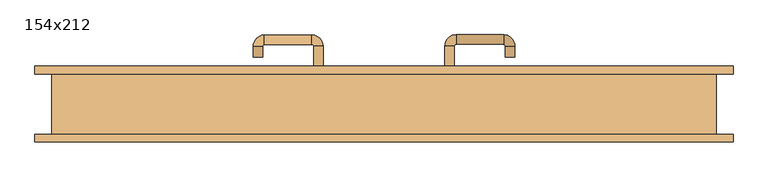
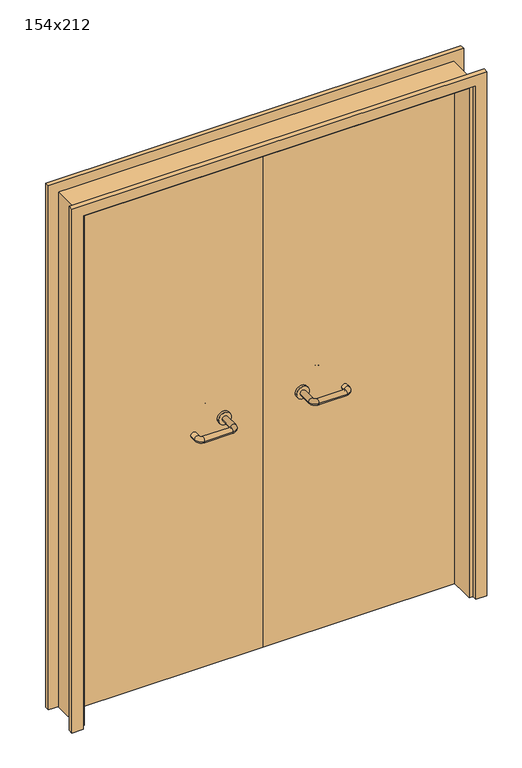
"""IFC4 building model written with IfcOpenShell, lengths in millimetres: door geometry, 154x212."""

from ifc_helpers import new_model, si_unit, point, frame, frame_2d, origin, place, context, project, spatial, polyline, circle_curve, ellipse_curve, trimmed, segment, composite_curve, outline, extrude, source, transform, mapped, element, save
from ifc_brep_helpers import plane_surface, cylinder_surface, revolved_surface, advanced_brep


def door_154x212_c8903aa3(model_context):
    return source(origin(), model_context, "Body", "SolidModel", [
        extrude(outline(polyline([(2159.0, 809.0), (2159.0, -809.0), (0.0, -809.0), (0.0, -765.0), (2115.0, -765.0), (2115.0, 765.0), (0.0, 765.0), (0.0, 809.0), (2159.0, 809.0)])), frame((0.0, 70.0, 0.0), z_axis=(0.0, 1.0, 0.0), x_axis=(0.0, 0.0, 1.0)), (0.0, 0.0, 1.0), 18.0),
        extrude(outline(polyline([(2159.0, -809.0), (0.0, -809.0), (0.0, -765.0), (2115.0, -765.0), (2115.0, 765.0), (0.0, 765.0), (0.0, 809.0), (2159.0, 809.0), (2159.0, -809.0)])), frame((0.0, -88.0, 0.0), z_axis=(0.0, 1.0, 0.0), x_axis=(0.0, 0.0, 1.0)), (0.0, 0.0, 1.0), 18.0),
        extrude(outline(polyline([(2120.0, -770.0), (0.0, -770.0), (0.0, -750.0), (2100.0, -750.0), (2100.0, 750.0), (0.0, 750.0), (0.0, 770.0), (2120.0, 770.0), (2120.0, -770.0)])), frame((0.0, -69.0, 0.0), z_axis=(0.0, 1.0, 0.0), x_axis=(0.0, 0.0, 1.0)), (0.0, 0.0, 1.0), 139.0),
        advanced_brep(
        [(140.99898, 16.0, 1003.0), (162.99898, 16.0, 1003.0), (140.99898, -39.3525369, 1003.0), (162.99898, -39.3525369, 1003.0), (166.99898, -43.3525369, 1003.0), (166.99898, -65.3525369, 1003.0), (276.99898, -65.3525369, 1003.0), (276.99898, -43.3525369, 1003.0), (280.99898, -39.3525369, 1003.0), (302.99898, -39.3525369, 1003.0), (302.99898, -22.0, 1003.0), (280.99898, -22.0, 1003.0)],
        [
            (0, 1, circle_curve(frame((151.99898, 16.0, 1003.0), z_axis=(0.0, 1.0, 0.0), x_axis=(1.0, 0.0, 0.0)), 11.0)),
            (1, 0, circle_curve(frame((151.99898, 16.0, 1003.0), z_axis=(0.0, 1.0, 0.0), x_axis=(1.0, 0.0, 0.0)), 11.0)),
            (0, 2),
            (2, 3, circle_curve(frame((151.99898, -39.3525369, 1003.0), z_axis=(0.0, 1.0, 0.0), x_axis=(1.0, 0.0, 0.0)), 11.0)),
            (3, 1),
            (3, 2, circle_curve(frame((151.99898, -39.3525369, 1003.0), z_axis=(0.0, 1.0, 0.0), x_axis=(1.0, 0.0, 0.0)), 11.0)),
            (4, 3, circle_curve(frame((166.99898, -39.3525369, 1003.0), z_axis=(0.0, 0.0, -1.0), x_axis=(-1.0, 0.0, 0.0)), 4.0)),
            (2, 5, circle_curve(frame((166.99898, -39.3525369, 1003.0), z_axis=(0.0, 0.0, 1.0), x_axis=(-1.0, 0.0, 0.0)), 26.0)),
            (5, 4, circle_curve(frame((166.99898, -54.3525369, 1003.0), z_axis=(-1.0, 0.0, 0.0), x_axis=(0.0, 1.0, 0.0)), 11.0)),
            (4, 5, circle_curve(frame((166.99898, -54.3525369, 1003.0), z_axis=(-1.0, 0.0, 0.0), x_axis=(0.0, 1.0, 0.0)), 11.0)),
            (5, 6),
            (6, 7, circle_curve(frame((276.99898, -54.3525369, 1003.0), z_axis=(-1.0, 0.0, 0.0), x_axis=(0.0, 1.0, 0.0)), 11.0)),
            (7, 4),
            (7, 6, circle_curve(frame((276.99898, -54.3525369, 1003.0), z_axis=(-1.0, 0.0, 0.0), x_axis=(0.0, 1.0, 0.0)), 11.0)),
            (8, 7, circle_curve(frame((276.99898, -39.3525369, 1003.0), z_axis=(0.0, 0.0, -1.0), x_axis=(0.0, -1.0, 0.0)), 4.0)),
            (6, 9, circle_curve(frame((276.99898, -39.3525369, 1003.0), z_axis=(0.0, 0.0, 1.0), x_axis=(0.0, -1.0, 0.0)), 26.0)),
            (9, 8, circle_curve(frame((291.99898, -39.3525369, 1003.0), z_axis=(0.0, -1.0, 0.0), x_axis=(-1.0, 0.0, 0.0)), 11.0)),
            (8, 9, circle_curve(frame((291.99898, -39.3525369, 1003.0), z_axis=(0.0, -1.0, 0.0), x_axis=(-1.0, 0.0, 0.0)), 11.0)),
            (10, 11, circle_curve(frame((291.99898, -22.0, 1003.0), z_axis=(0.0, 1.0, 0.0), x_axis=(-1.0, 0.0, 0.0)), 11.0)),
            (11, 10, circle_curve(frame((291.99898, -22.0, 1003.0), z_axis=(0.0, 1.0, 0.0), x_axis=(-1.0, 0.0, 0.0)), 11.0)),
            (9, 10),
            (11, 8),
        ],
        [
            plane_surface(frame((140.99898, 16.0, 1003.0), z_axis=(0.0, 1.0, 0.0), x_axis=(0.0, 0.0, -1.0))),
            cylinder_surface(frame((151.99898, 16.0, 1003.0), z_axis=(0.0, 1.0, 0.0), x_axis=(1.0, 0.0, 0.0)), 11.0),
            revolved_surface(trimmed(ellipse_curve(frame((151.99898, -39.3525369, 1003.0), z_axis=(0.0, 1.0, 0.0), x_axis=(1.0, 0.0, 0.0)), 11.0, 11.0), [point((140.99898, -39.3525369, 1003.0))], [point((162.99898, -39.3525369, 1003.0))], True, "CARTESIAN"), (166.99898, -39.3525369, 1003.0), (0.0, 0.0, 1.0)),
            revolved_surface(trimmed(ellipse_curve(frame((151.99898, -39.3525369, 1003.0), z_axis=(0.0, 1.0, 0.0), x_axis=(1.0, 0.0, 0.0)), 11.0, 11.0), [point((162.99898, -39.3525369, 1003.0))], [point((140.99898, -39.3525369, 1003.0))], True, "CARTESIAN"), (166.99898, -39.3525369, 1003.0), (0.0, 0.0, 1.0)),
            cylinder_surface(frame((166.99898, -54.3525369, 1003.0), z_axis=(-1.0, 0.0, 0.0), x_axis=(0.0, 1.0, 0.0)), 11.0),
            revolved_surface(trimmed(ellipse_curve(frame((276.99898, -54.3525369, 1003.0), z_axis=(-1.0, 0.0, 0.0), x_axis=(0.0, 1.0, 0.0)), 11.0, 11.0), [point((276.99898, -65.3525369, 1003.0))], [point((276.99898, -43.3525369, 1003.0))], True, "CARTESIAN"), (276.99898, -39.3525369, 1003.0), (0.0, 0.0, 1.0)),
            revolved_surface(trimmed(ellipse_curve(frame((276.99898, -54.3525369, 1003.0), z_axis=(-1.0, 0.0, 0.0), x_axis=(0.0, 1.0, 0.0)), 11.0, 11.0), [point((276.99898, -43.3525369, 1003.0))], [point((276.99898, -65.3525369, 1003.0))], True, "CARTESIAN"), (276.99898, -39.3525369, 1003.0), (0.0, 0.0, 1.0)),
            plane_surface(frame((280.99898, -22.0, 1003.0), z_axis=(0.0, 1.0, 0.0), x_axis=(0.0, 0.0, 1.0))),
            cylinder_surface(frame((291.99898, -39.3525369, 1003.0), z_axis=(0.0, -1.0, 0.0), x_axis=(-1.0, 0.0, 0.0)), 11.0),
        ],
        [
            (0, [[1, 2]]),
            (1, [[-1, 3, 4, 5]]),
            (1, [[-2, -5, 6, -3]]),
            (2, [[7, -4, 8, 9]]),
            (3, [[-8, -6, -7, 10]]),
            (4, [[-9, 11, 12, 13]]),
            (4, [[-10, -13, 14, -11]]),
            (5, [[15, -12, 16, 17]]),
            (6, [[-16, -14, -15, 18]]),
            (7, [[19, 20]]),
            (8, [[-17, 21, -20, 22]]),
            (8, [[-18, -22, -19, -21]]),
        ],
    ),
        extrude(outline(composite_curve([segment(trimmed(circle_curve(frame_2d((1003.0, 151.99898)), 25.0), [point((1003.0, 126.99898))], [point((1003.0, 176.99898))], False, "CARTESIAN"), True, "CONTINUOUS"), segment(trimmed(circle_curve(frame_2d((1003.0, 151.99898)), 25.0), [point((1003.0, 176.99898))], [point((1003.0, 126.99898))], False, "CARTESIAN"), True, "CONTINUOUS")], self_intersect=False)), frame((0.0, 16.0, 0.0), z_axis=(0.0, 1.0, 0.0), x_axis=(0.0, 0.0, 1.0)), (0.0, 0.0, 1.0), 10.0),
        advanced_brep(
        [(162.99898, 80.0, 1003.0), (140.99898, 80.0, 1003.0), (162.99898, 135.0, 1003.0), (140.99898, 135.0, 1003.0), (166.99898, 161.0, 1003.0), (166.99898, 139.0, 1003.0), (276.99898, 139.0, 1003.0), (276.99898, 161.0, 1003.0), (302.99898, 135.0, 1003.0), (280.99898, 135.0, 1003.0), (280.99898, 110.0, 1003.0), (302.99898, 110.0, 1003.0)],
        [
            (0, 1, circle_curve(frame((151.99898, 80.0, 1003.0), z_axis=(0.0, -1.0, 0.0), x_axis=(-1.0, 0.0, 0.0)), 11.0)),
            (1, 0, circle_curve(frame((151.99898, 80.0, 1003.0), z_axis=(0.0, -1.0, 0.0), x_axis=(-1.0, 0.0, 0.0)), 11.0)),
            (0, 2),
            (2, 3, circle_curve(frame((151.99898, 135.0, 1003.0), z_axis=(0.0, -1.0, 0.0), x_axis=(-1.0, 0.0, 0.0)), 11.0)),
            (3, 1),
            (3, 2, circle_curve(frame((151.99898, 135.0, 1003.0), z_axis=(0.0, -1.0, 0.0), x_axis=(-1.0, 0.0, 0.0)), 11.0)),
            (4, 3, circle_curve(frame((166.99898, 135.0, 1003.0), z_axis=(0.0, 0.0, 1.0), x_axis=(-1.0, 0.0, 0.0)), 26.0)),
            (2, 5, circle_curve(frame((166.99898, 135.0, 1003.0), z_axis=(0.0, 0.0, -1.0), x_axis=(-1.0, 0.0, 0.0)), 4.0)),
            (5, 4, circle_curve(frame((166.99898, 150.0, 1003.0), z_axis=(-1.0, 0.0, 0.0), x_axis=(0.0, 1.0, 0.0)), 11.0)),
            (4, 5, circle_curve(frame((166.99898, 150.0, 1003.0), z_axis=(-1.0, 0.0, 0.0), x_axis=(0.0, 1.0, 0.0)), 11.0)),
            (5, 6),
            (6, 7, circle_curve(frame((276.99898, 150.0, 1003.0), z_axis=(-1.0, 0.0, 0.0), x_axis=(0.0, 1.0, 0.0)), 11.0)),
            (7, 4),
            (7, 6, circle_curve(frame((276.99898, 150.0, 1003.0), z_axis=(-1.0, 0.0, 0.0), x_axis=(0.0, 1.0, 0.0)), 11.0)),
            (8, 7, circle_curve(frame((276.99898, 135.0, 1003.0), z_axis=(0.0, 0.0, 1.0), x_axis=(0.0, 1.0, 0.0)), 26.0)),
            (6, 9, circle_curve(frame((276.99898, 135.0, 1003.0), z_axis=(0.0, 0.0, -1.0), x_axis=(0.0, 1.0, 0.0)), 4.0)),
            (9, 8, circle_curve(frame((291.99898, 135.0, 1003.0), z_axis=(0.0, 1.0, 0.0), x_axis=(1.0, 0.0, 0.0)), 11.0)),
            (8, 9, circle_curve(frame((291.99898, 135.0, 1003.0), z_axis=(0.0, 1.0, 0.0), x_axis=(1.0, 0.0, 0.0)), 11.0)),
            (10, 11, circle_curve(frame((291.99898, 110.0, 1003.0), z_axis=(0.0, -1.0, 0.0), x_axis=(1.0, 0.0, 0.0)), 11.0)),
            (11, 10, circle_curve(frame((291.99898, 110.0, 1003.0), z_axis=(0.0, -1.0, 0.0), x_axis=(1.0, 0.0, 0.0)), 11.0)),
            (9, 10),
            (11, 8),
        ],
        [
            plane_surface(frame((140.99898, 80.0, 1003.0), z_axis=(0.0, -1.0, 0.0), x_axis=(0.0, 0.0, 1.0))),
            cylinder_surface(frame((151.99898, 80.0, 1003.0), z_axis=(0.0, -1.0, 0.0), x_axis=(-1.0, 0.0, 0.0)), 11.0),
            revolved_surface(trimmed(ellipse_curve(frame((151.99898, 135.0, 1003.0), z_axis=(0.0, -1.0, 0.0), x_axis=(-1.0, 0.0, 0.0)), 11.0, 11.0), [point((162.99898, 135.0, 1003.0))], [point((140.99898, 135.0, 1003.0))], True, "CARTESIAN"), (166.99898, 135.0, 1003.0), (0.0, 0.0, -1.0)),
            revolved_surface(trimmed(ellipse_curve(frame((151.99898, 135.0, 1003.0), z_axis=(0.0, -1.0, 0.0), x_axis=(-1.0, 0.0, 0.0)), 11.0, 11.0), [point((140.99898, 135.0, 1003.0))], [point((162.99898, 135.0, 1003.0))], True, "CARTESIAN"), (166.99898, 135.0, 1003.0), (0.0, 0.0, -1.0)),
            cylinder_surface(frame((166.99898, 150.0, 1003.0), z_axis=(-1.0, 0.0, 0.0), x_axis=(0.0, 1.0, 0.0)), 11.0),
            revolved_surface(trimmed(ellipse_curve(frame((276.99898, 150.0, 1003.0), z_axis=(-1.0, 0.0, 0.0), x_axis=(0.0, 1.0, 0.0)), 11.0, 11.0), [point((276.99898, 139.0, 1003.0))], [point((276.99898, 161.0, 1003.0))], True, "CARTESIAN"), (276.99898, 135.0, 1003.0), (0.0, 0.0, -1.0)),
            revolved_surface(trimmed(ellipse_curve(frame((276.99898, 150.0, 1003.0), z_axis=(-1.0, 0.0, 0.0), x_axis=(0.0, 1.0, 0.0)), 11.0, 11.0), [point((276.99898, 161.0, 1003.0))], [point((276.99898, 139.0, 1003.0))], True, "CARTESIAN"), (276.99898, 135.0, 1003.0), (0.0, 0.0, -1.0)),
            plane_surface(frame((280.99898, 110.0, 1003.0), z_axis=(0.0, -1.0, 0.0), x_axis=(0.0, 0.0, -1.0))),
            cylinder_surface(frame((291.99898, 135.0, 1003.0), z_axis=(0.0, 1.0, 0.0), x_axis=(1.0, 0.0, 0.0)), 11.0),
        ],
        [
            (0, [[1, 2]]),
            (1, [[-1, 3, 4, 5]]),
            (1, [[-2, -5, 6, -3]]),
            (2, [[7, -4, 8, 9]]),
            (3, [[-8, -6, -7, 10]]),
            (4, [[-9, 11, 12, 13]]),
            (4, [[-10, -13, 14, -11]]),
            (5, [[15, -12, 16, 17]]),
            (6, [[-16, -14, -15, 18]]),
            (7, [[19, 20]]),
            (8, [[-17, 21, -20, 22]]),
            (8, [[-18, -22, -19, -21]]),
        ],
    ),
        extrude(outline(composite_curve([segment(trimmed(circle_curve(frame_2d((1003.0, 151.99898)), 25.0), [point((1003.0, 176.99898))], [point((1003.0, 126.99898))], False, "CARTESIAN"), True, "CONTINUOUS"), segment(trimmed(circle_curve(frame_2d((1003.0, 151.99898)), 25.0), [point((1003.0, 126.99898))], [point((1003.0, 176.99898))], False, "CARTESIAN"), True, "CONTINUOUS")], self_intersect=False)), frame((0.0, 70.0, 0.0), z_axis=(0.0, 1.0, 0.0), x_axis=(0.0, 0.0, 1.0)), (0.0, 0.0, 1.0), 10.0),
        advanced_brep(
        [(-162.99898, 15.6886121, 1003.0), (-140.99898, 15.6886121, 1003.0), (-162.99898, -39.7220447, 1003.0), (-140.99898, -39.7220447, 1003.0), (-166.99898, -65.7220447, 1003.0), (-166.99898, -43.7220447, 1003.0), (-276.99898, -43.7220447, 1003.0), (-276.99898, -65.7220447, 1003.0), (-302.99898, -39.7220447, 1003.0), (-280.99898, -39.7220447, 1003.0), (-280.99898, -14.7220447, 1003.0), (-302.99898, -14.7220447, 1003.0)],
        [
            (0, 1, circle_curve(frame((-151.99898, 15.6886121, 1003.0), z_axis=(0.0, 1.0, 0.0), x_axis=(1.0, 0.0, 0.0)), 11.0)),
            (1, 0, circle_curve(frame((-151.99898, 15.6886121, 1003.0), z_axis=(0.0, 1.0, 0.0), x_axis=(1.0, 0.0, 0.0)), 11.0)),
            (0, 2),
            (2, 3, circle_curve(frame((-151.99898, -39.7220447, 1003.0), z_axis=(0.0, 1.0, 0.0), x_axis=(1.0, 0.0, 0.0)), 11.0)),
            (3, 1),
            (3, 2, circle_curve(frame((-151.99898, -39.7220447, 1003.0), z_axis=(0.0, 1.0, 0.0), x_axis=(1.0, 0.0, 0.0)), 11.0)),
            (4, 3, circle_curve(frame((-166.99898, -39.7220447, 1003.0), z_axis=(0.0, 0.0, 1.0), x_axis=(1.0, 0.0, 0.0)), 26.0)),
            (2, 5, circle_curve(frame((-166.99898, -39.7220447, 1003.0), z_axis=(0.0, 0.0, -1.0), x_axis=(1.0, 0.0, 0.0)), 4.0)),
            (5, 4, circle_curve(frame((-166.99898, -54.7220447, 1003.0), z_axis=(1.0, 0.0, 0.0), x_axis=(0.0, -1.0, 0.0)), 11.0)),
            (4, 5, circle_curve(frame((-166.99898, -54.7220447, 1003.0), z_axis=(1.0, 0.0, 0.0), x_axis=(0.0, -1.0, 0.0)), 11.0)),
            (5, 6),
            (6, 7, circle_curve(frame((-276.99898, -54.7220447, 1003.0), z_axis=(1.0, 0.0, 0.0), x_axis=(0.0, -1.0, 0.0)), 11.0)),
            (7, 4),
            (7, 6, circle_curve(frame((-276.99898, -54.7220447, 1003.0), z_axis=(1.0, 0.0, 0.0), x_axis=(0.0, -1.0, 0.0)), 11.0)),
            (8, 7, circle_curve(frame((-276.99898, -39.7220447, 1003.0), z_axis=(0.0, 0.0, 1.0), x_axis=(0.0, -1.0, 0.0)), 26.0)),
            (6, 9, circle_curve(frame((-276.99898, -39.7220447, 1003.0), z_axis=(0.0, 0.0, -1.0), x_axis=(0.0, -1.0, 0.0)), 4.0)),
            (9, 8, circle_curve(frame((-291.99898, -39.7220447, 1003.0), z_axis=(0.0, -1.0, 0.0), x_axis=(-1.0, 0.0, 0.0)), 11.0)),
            (8, 9, circle_curve(frame((-291.99898, -39.7220447, 1003.0), z_axis=(0.0, -1.0, 0.0), x_axis=(-1.0, 0.0, 0.0)), 11.0)),
            (10, 11, circle_curve(frame((-291.99898, -14.7220447, 1003.0), z_axis=(0.0, 1.0, 0.0), x_axis=(-1.0, 0.0, 0.0)), 11.0)),
            (11, 10, circle_curve(frame((-291.99898, -14.7220447, 1003.0), z_axis=(0.0, 1.0, 0.0), x_axis=(-1.0, 0.0, 0.0)), 11.0)),
            (9, 10),
            (11, 8),
        ],
        [
            plane_surface(frame((-162.99898, 15.6886121, 1003.0), z_axis=(0.0, 1.0, 0.0), x_axis=(0.0, 0.0, -1.0))),
            cylinder_surface(frame((-151.99898, 15.6886121, 1003.0), z_axis=(0.0, 1.0, 0.0), x_axis=(1.0, 0.0, 0.0)), 11.0),
            revolved_surface(trimmed(ellipse_curve(frame((-151.99898, -39.7220447, 1003.0), z_axis=(0.0, 1.0, 0.0), x_axis=(1.0, 0.0, 0.0)), 11.0, 11.0), [point((-162.99898, -39.7220447, 1003.0))], [point((-140.99898, -39.7220447, 1003.0))], True, "CARTESIAN"), (-166.99898, -39.7220447, 1003.0), (0.0, 0.0, -1.0)),
            revolved_surface(trimmed(ellipse_curve(frame((-151.99898, -39.7220447, 1003.0), z_axis=(0.0, 1.0, 0.0), x_axis=(1.0, 0.0, 0.0)), 11.0, 11.0), [point((-140.99898, -39.7220447, 1003.0))], [point((-162.99898, -39.7220447, 1003.0))], True, "CARTESIAN"), (-166.99898, -39.7220447, 1003.0), (0.0, 0.0, -1.0)),
            cylinder_surface(frame((-166.99898, -54.7220447, 1003.0), z_axis=(1.0, 0.0, 0.0), x_axis=(0.0, -1.0, 0.0)), 11.0),
            revolved_surface(trimmed(ellipse_curve(frame((-276.99898, -54.7220447, 1003.0), z_axis=(1.0, 0.0, 0.0), x_axis=(0.0, -1.0, 0.0)), 11.0, 11.0), [point((-276.99898, -43.7220447, 1003.0))], [point((-276.99898, -65.7220447, 1003.0))], True, "CARTESIAN"), (-276.99898, -39.7220447, 1003.0), (0.0, 0.0, -1.0)),
            revolved_surface(trimmed(ellipse_curve(frame((-276.99898, -54.7220447, 1003.0), z_axis=(1.0, 0.0, 0.0), x_axis=(0.0, -1.0, 0.0)), 11.0, 11.0), [point((-276.99898, -65.7220447, 1003.0))], [point((-276.99898, -43.7220447, 1003.0))], True, "CARTESIAN"), (-276.99898, -39.7220447, 1003.0), (0.0, 0.0, -1.0)),
            plane_surface(frame((-302.99898, -14.7220447, 1003.0), z_axis=(0.0, 1.0, 0.0), x_axis=(0.0, 0.0, 1.0))),
            cylinder_surface(frame((-291.99898, -39.7220447, 1003.0), z_axis=(0.0, -1.0, 0.0), x_axis=(-1.0, 0.0, 0.0)), 11.0),
        ],
        [
            (0, [[1, 2]]),
            (1, [[-1, 3, 4, 5]]),
            (1, [[-2, -5, 6, -3]]),
            (2, [[7, -4, 8, 9]]),
            (3, [[-8, -6, -7, 10]]),
            (4, [[-9, 11, 12, 13]]),
            (4, [[-10, -13, 14, -11]]),
            (5, [[15, -12, 16, 17]]),
            (6, [[-16, -14, -15, 18]]),
            (7, [[19, 20]]),
            (8, [[-17, 21, -20, 22]]),
            (8, [[-18, -22, -19, -21]]),
        ],
    ),
        extrude(outline(composite_curve([segment(trimmed(circle_curve(frame_2d((1003.0, -151.99898)), 25.0), [point((1003.0, -176.99898))], [point((1003.0, -126.99898))], False, "CARTESIAN"), True, "CONTINUOUS"), segment(trimmed(circle_curve(frame_2d((1003.0, -151.99898)), 25.0), [point((1003.0, -126.99898))], [point((1003.0, -176.99898))], False, "CARTESIAN"), True, "CONTINUOUS")], self_intersect=False)), frame((0.0, 15.6886121, 0.0), z_axis=(0.0, 1.0, 0.0), x_axis=(0.0, 0.0, 1.0)), (0.0, 0.0, 1.0), 10.3113879),
        advanced_brep(
        [(-140.99898, 79.5143417, 1003.0), (-162.99898, 79.5143417, 1003.0), (-140.99898, 134.6104656, 1003.0), (-162.99898, 134.6104656, 1003.0), (-166.99898, 138.6104656, 1003.0), (-166.99898, 160.6104656, 1003.0), (-276.99898, 160.6104656, 1003.0), (-276.99898, 138.6104656, 1003.0), (-280.99898, 134.6104656, 1003.0), (-302.99898, 134.6104656, 1003.0), (-302.99898, 109.6104656, 1003.0), (-280.99898, 109.6104656, 1003.0)],
        [
            (0, 1, circle_curve(frame((-151.99898, 79.5143417, 1003.0), z_axis=(0.0, -1.0, 0.0), x_axis=(-1.0, 0.0, 0.0)), 11.0)),
            (1, 0, circle_curve(frame((-151.99898, 79.5143417, 1003.0), z_axis=(0.0, -1.0, 0.0), x_axis=(-1.0, 0.0, 0.0)), 11.0)),
            (0, 2),
            (2, 3, circle_curve(frame((-151.99898, 134.6104656, 1003.0), z_axis=(0.0, -1.0, 0.0), x_axis=(-1.0, 0.0, 0.0)), 11.0)),
            (3, 1),
            (3, 2, circle_curve(frame((-151.99898, 134.6104656, 1003.0), z_axis=(0.0, -1.0, 0.0), x_axis=(-1.0, 0.0, 0.0)), 11.0)),
            (4, 3, circle_curve(frame((-166.99898, 134.6104656, 1003.0), z_axis=(0.0, 0.0, -1.0), x_axis=(1.0, 0.0, 0.0)), 4.0)),
            (2, 5, circle_curve(frame((-166.99898, 134.6104656, 1003.0), z_axis=(0.0, 0.0, 1.0), x_axis=(1.0, 0.0, 0.0)), 26.0)),
            (5, 4, circle_curve(frame((-166.99898, 149.6104656, 1003.0), z_axis=(1.0, 0.0, 0.0), x_axis=(0.0, -1.0, 0.0)), 11.0)),
            (4, 5, circle_curve(frame((-166.99898, 149.6104656, 1003.0), z_axis=(1.0, 0.0, 0.0), x_axis=(0.0, -1.0, 0.0)), 11.0)),
            (5, 6),
            (6, 7, circle_curve(frame((-276.99898, 149.6104656, 1003.0), z_axis=(1.0, 0.0, 0.0), x_axis=(0.0, -1.0, 0.0)), 11.0)),
            (7, 4),
            (7, 6, circle_curve(frame((-276.99898, 149.6104656, 1003.0), z_axis=(1.0, 0.0, 0.0), x_axis=(0.0, -1.0, 0.0)), 11.0)),
            (8, 7, circle_curve(frame((-276.99898, 134.6104656, 1003.0), z_axis=(0.0, 0.0, -1.0), x_axis=(0.0, 1.0, 0.0)), 4.0)),
            (6, 9, circle_curve(frame((-276.99898, 134.6104656, 1003.0), z_axis=(0.0, 0.0, 1.0), x_axis=(0.0, 1.0, 0.0)), 26.0)),
            (9, 8, circle_curve(frame((-291.99898, 134.6104656, 1003.0), z_axis=(0.0, 1.0, 0.0), x_axis=(1.0, 0.0, 0.0)), 11.0)),
            (8, 9, circle_curve(frame((-291.99898, 134.6104656, 1003.0), z_axis=(0.0, 1.0, 0.0), x_axis=(1.0, 0.0, 0.0)), 11.0)),
            (10, 11, circle_curve(frame((-291.99898, 109.6104656, 1003.0), z_axis=(0.0, -1.0, 0.0), x_axis=(1.0, 0.0, 0.0)), 11.0)),
            (11, 10, circle_curve(frame((-291.99898, 109.6104656, 1003.0), z_axis=(0.0, -1.0, 0.0), x_axis=(1.0, 0.0, 0.0)), 11.0)),
            (9, 10),
            (11, 8),
        ],
        [
            plane_surface(frame((-162.99898, 79.5143417, 1003.0), z_axis=(0.0, -1.0, 0.0), x_axis=(0.0, 0.0, 1.0))),
            cylinder_surface(frame((-151.99898, 79.5143417, 1003.0), z_axis=(0.0, -1.0, 0.0), x_axis=(-1.0, 0.0, 0.0)), 11.0),
            revolved_surface(trimmed(ellipse_curve(frame((-151.99898, 134.6104656, 1003.0), z_axis=(0.0, -1.0, 0.0), x_axis=(-1.0, 0.0, 0.0)), 11.0, 11.0), [point((-140.99898, 134.6104656, 1003.0))], [point((-162.99898, 134.6104656, 1003.0))], True, "CARTESIAN"), (-166.99898, 134.6104656, 1003.0), (0.0, 0.0, 1.0)),
            revolved_surface(trimmed(ellipse_curve(frame((-151.99898, 134.6104656, 1003.0), z_axis=(0.0, -1.0, 0.0), x_axis=(-1.0, 0.0, 0.0)), 11.0, 11.0), [point((-162.99898, 134.6104656, 1003.0))], [point((-140.99898, 134.6104656, 1003.0))], True, "CARTESIAN"), (-166.99898, 134.6104656, 1003.0), (0.0, 0.0, 1.0)),
            cylinder_surface(frame((-166.99898, 149.6104656, 1003.0), z_axis=(1.0, 0.0, 0.0), x_axis=(0.0, -1.0, 0.0)), 11.0),
            revolved_surface(trimmed(ellipse_curve(frame((-276.99898, 149.6104656, 1003.0), z_axis=(1.0, 0.0, 0.0), x_axis=(0.0, -1.0, 0.0)), 11.0, 11.0), [point((-276.99898, 160.6104656, 1003.0))], [point((-276.99898, 138.6104656, 1003.0))], True, "CARTESIAN"), (-276.99898, 134.6104656, 1003.0), (0.0, 0.0, 1.0)),
            revolved_surface(trimmed(ellipse_curve(frame((-276.99898, 149.6104656, 1003.0), z_axis=(1.0, 0.0, 0.0), x_axis=(0.0, -1.0, 0.0)), 11.0, 11.0), [point((-276.99898, 138.6104656, 1003.0))], [point((-276.99898, 160.6104656, 1003.0))], True, "CARTESIAN"), (-276.99898, 134.6104656, 1003.0), (0.0, 0.0, 1.0)),
            plane_surface(frame((-302.99898, 109.6104656, 1003.0), z_axis=(0.0, -1.0, 0.0), x_axis=(0.0, 0.0, -1.0))),
            cylinder_surface(frame((-291.99898, 134.6104656, 1003.0), z_axis=(0.0, 1.0, 0.0), x_axis=(1.0, 0.0, 0.0)), 11.0),
        ],
        [
            (0, [[1, 2]]),
            (1, [[-1, 3, 4, 5]]),
            (1, [[-2, -5, 6, -3]]),
            (2, [[7, -4, 8, 9]]),
            (3, [[-8, -6, -7, 10]]),
            (4, [[-9, 11, 12, 13]]),
            (4, [[-10, -13, 14, -11]]),
            (5, [[15, -12, 16, 17]]),
            (6, [[-16, -14, -15, 18]]),
            (7, [[19, 20]]),
            (8, [[-17, 21, -20, 22]]),
            (8, [[-18, -22, -19, -21]]),
        ],
    ),
        extrude(outline(composite_curve([segment(trimmed(circle_curve(frame_2d((1003.0, -151.99898)), 25.0), [point((1003.0, -126.99898))], [point((1003.0, -176.99898))], False, "CARTESIAN"), True, "CONTINUOUS"), segment(trimmed(circle_curve(frame_2d((1003.0, -151.99898)), 25.0), [point((1003.0, -176.99898))], [point((1003.0, -126.99898))], False, "CARTESIAN"), True, "CONTINUOUS")], self_intersect=False)), frame((0.0, 70.0, 0.0), z_axis=(0.0, 1.0, 0.0), x_axis=(0.0, 0.0, 1.0)), (0.0, 0.0, 1.0), 9.5143417),
        extrude(outline(polyline([(1.0739506, 26.0), (-747.0, 26.0), (-747.0, 70.0), (1.0739506, 70.0), (1.0739506, 26.0)])), frame((0.0, 0.0, 1.753223), z_axis=(0.0, 0.0, 1.0), x_axis=(1.0, 0.0, 0.0)), (0.0, 0.0, 1.0), 2098.246777),
        extrude(outline(polyline([(747.0, 26.0), (1.0739506, 26.0), (1.0739506, 70.0), (747.0, 70.0), (747.0, 26.0)])), frame((0.0, 0.0, 1.753223), z_axis=(0.0, 0.0, 1.0), x_axis=(1.0, 0.0, 0.0)), (0.0, 0.0, 1.0), 2098.246777),
    ])


if __name__ == "__main__":
    model = new_model("IFC4")
    model_context = context("Model", 3, world=origin())
    ifc_project = project(units=[si_unit("LENGTHUNIT", "METRE", prefix="MILLI")], contexts=[model_context])
    site = spatial("IfcSite", under=ifc_project)
    building = spatial("IfcBuilding", under=site)
    placement = place(None, origin())
    door_154x212_shape = door_154x212_c8903aa3(model_context)
    element("IfcDoor", 1, ObjectType="154x212", at=placement, inside=building, context=model_context, shape_type="MappedRepresentation", body=[
        mapped(door_154x212_shape, transform((0.0, 0.0, 0.0), x_axis=(1.0, 0.0, 0.0), y_axis=(0.0, 1.0, 0.0), z_axis=(0.0, 0.0, 1.0))),
    ])
    save(model, "model.ifc")
